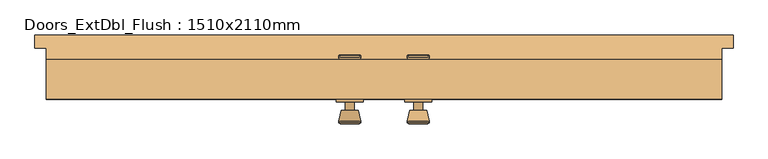
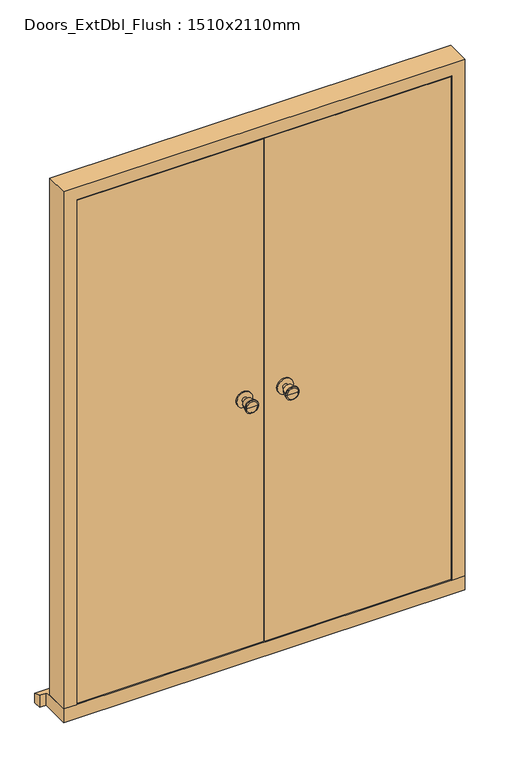
"""IFC4 building model written with IfcOpenShell, lengths in millimetres: door geometry, Doors_ExtDbl_Flush : 1510x2110mm."""

from ifc_helpers import new_model, si_unit, point, frame, frame_2d, origin, place, context, project, spatial, polyline, circle_curve, trimmed, segment, composite_curve, outline, extrude, faceted_brep, source, transform, mapped, element, save
from ifc_brep_helpers import plane_surface, cylinder_surface, revolved_surface, advanced_brep


def doors_extdbl_flush_1510x2110mm_e3ef85c1(model_context):
    return source(origin(), model_context, "Body", "SolidModel", [
        advanced_brep(
        [(-76.5, -22.5, 1050.0), (-66.5, -22.5, 1050.0), (-86.5, -22.5, 1050.0), (-96.9758676, -71.5, 1050.0), (-56.0241324, -71.5, 1050.0), (-76.5, -71.5, 1050.0), (-101.5, -69.6721319, 1050.0), (-51.5, -69.6721319, 1050.0), (-101.5, -66.2084537, 1050.0), (-51.5, -66.2084537, 1050.0), (-95.136236, -41.5, 1050.0), (-57.863764, -41.5, 1050.0), (-86.5, -41.5, 1050.0), (-66.5, -41.5, 1050.0)],
        [
            (0, 1),
            (1, 2, circle_curve(frame((-76.5, -22.5, 1050.0), z_axis=(0.0, 1.0, 0.0), x_axis=(1.0, 0.0, 0.0)), 10.0)),
            (2, 0),
            (2, 1, circle_curve(frame((-76.5, -22.5, 1050.0), z_axis=(0.0, 1.0, 0.0), x_axis=(1.0, 0.0, 0.0)), 10.0)),
            (3, 4, circle_curve(frame((-76.5, -71.5, 1050.0), z_axis=(0.0, -1.0, 0.0), x_axis=(1.0, 0.0, 0.0)), 20.4758676)),
            (4, 5),
            (5, 3),
            (4, 3, circle_curve(frame((-76.5, -71.5, 1050.0), z_axis=(0.0, -1.0, 0.0), x_axis=(1.0, 0.0, 0.0)), 20.4758676)),
            (6, 7, circle_curve(frame((-76.5, -69.6721319, 1050.0), z_axis=(0.0, -1.0, 0.0), x_axis=(1.0, 0.0, 0.0)), 25.0)),
            (7, 4),
            (3, 6),
            (7, 6, circle_curve(frame((-76.5, -69.6721319, 1050.0), z_axis=(0.0, -1.0, 0.0), x_axis=(1.0, 0.0, 0.0)), 25.0)),
            (8, 9, circle_curve(frame((-76.5, -66.2084537, 1050.0), z_axis=(0.0, -1.0, 0.0), x_axis=(1.0, 0.0, 0.0)), 25.0)),
            (9, 7),
            (6, 8),
            (9, 8, circle_curve(frame((-76.5, -66.2084537, 1050.0), z_axis=(0.0, -1.0, 0.0), x_axis=(1.0, 0.0, 0.0)), 25.0)),
            (10, 11, circle_curve(frame((-76.5, -41.5, 1050.0), z_axis=(0.0, -1.0, 0.0), x_axis=(1.0, 0.0, 0.0)), 18.636236)),
            (11, 9),
            (8, 10),
            (11, 10, circle_curve(frame((-76.5, -41.5, 1050.0), z_axis=(0.0, -1.0, 0.0), x_axis=(1.0, 0.0, 0.0)), 18.636236)),
            (12, 13, circle_curve(frame((-76.5, -41.5, 1050.0), z_axis=(0.0, -1.0, 0.0), x_axis=(1.0, 0.0, 0.0)), 10.0)),
            (13, 11),
            (10, 12),
            (13, 12, circle_curve(frame((-76.5, -41.5, 1050.0), z_axis=(0.0, -1.0, 0.0), x_axis=(1.0, 0.0, 0.0)), 10.0)),
            (1, 13),
            (12, 2),
        ],
        [
            plane_surface(frame((-76.5, -22.5, 1050.0), z_axis=(0.0, 1.0, 0.0), x_axis=(1.0, 0.0, 0.0))),
            plane_surface(frame((-76.5, -71.5, 1050.0), z_axis=(0.0, -1.0, 0.0), x_axis=(1.0, 0.0, 0.0))),
            revolved_surface(polyline([(-56.0241324, -71.5, 1050.0), (-51.5, -69.6721319, 1050.0)]), (-76.5, -22.5, 1050.0), (0.0, 1.0, 0.0)),
            cylinder_surface(frame((-76.5, -22.5, 1050.0), z_axis=(0.0, 1.0, 0.0), x_axis=(1.0, 0.0, 0.0)), 25.0),
            revolved_surface(polyline([(-51.5, -66.2084537, 1050.0), (-57.863764, -41.5, 1050.0)]), (-76.5, -22.5, 1050.0), (0.0, 1.0, 0.0)),
            plane_surface(frame((-76.5, -41.5, 1050.0), z_axis=(0.0, 1.0, 0.0), x_axis=(1.0, 0.0, 0.0))),
            cylinder_surface(frame((-76.5, -22.5, 1050.0), z_axis=(0.0, 1.0, 0.0), x_axis=(1.0, 0.0, 0.0)), 10.0),
        ],
        [
            (0, [[1, 2, 3]]),
            (0, [[-3, 4, -1]]),
            (1, [[5, 6, 7]]),
            (1, [[8, -7, -6]]),
            (2, [[9, 10, -5, 11]]),
            (2, [[12, -11, -8, -10]]),
            (3, [[13, 14, -9, 15]]),
            (3, [[16, -15, -12, -14]]),
            (4, [[17, 18, -13, 19]]),
            (4, [[20, -19, -16, -18]]),
            (5, [[21, 22, -17, 23]]),
            (5, [[24, -23, -20, -22]]),
            (6, [[-2, 25, -21, 26]]),
            (6, [[-4, -26, -24, -25]]),
        ],
    ),
        extrude(outline(composite_curve([segment(trimmed(circle_curve(frame_2d((1050.0, -76.5)), 30.0), [point((1050.0, -46.5))], [point((1050.0, -106.5))], False, "CARTESIAN"), True, "CONTINUOUS"), segment(trimmed(circle_curve(frame_2d((1050.0, -76.5)), 30.0), [point((1050.0, -106.5))], [point((1050.0, -46.5))], False, "CARTESIAN"), True, "CONTINUOUS")], self_intersect=False)), frame((0.0, -22.5, 0.0), z_axis=(0.0, 1.0, 0.0), x_axis=(0.0, 0.0, 1.0)), (0.0, 0.0, 1.0), 6.0),
        advanced_brep(
        [(-76.5, 33.5, 1050.0), (-86.5, 33.5, 1050.0), (-66.5, 33.5, 1050.0), (-96.9758676, 82.5, 1050.0), (-76.5, 82.5, 1050.0), (-56.0241324, 82.5, 1050.0), (-101.5, 80.6721319, 1050.0), (-51.5, 80.6721319, 1050.0), (-101.5, 77.2084537, 1050.0), (-51.5, 77.2084537, 1050.0), (-95.136236, 52.5, 1050.0), (-57.863764, 52.5, 1050.0), (-86.5, 52.5, 1050.0), (-66.5, 52.5, 1050.0)],
        [
            (0, 1),
            (1, 2, circle_curve(frame((-76.5, 33.5, 1050.0), z_axis=(0.0, -1.0, 0.0), x_axis=(1.0, 0.0, 0.0)), 10.0)),
            (2, 0),
            (2, 1, circle_curve(frame((-76.5, 33.5, 1050.0), z_axis=(0.0, -1.0, 0.0), x_axis=(1.0, 0.0, 0.0)), 10.0)),
            (3, 4),
            (4, 5),
            (5, 3, circle_curve(frame((-76.5, 82.5, 1050.0), z_axis=(0.0, 1.0, 0.0), x_axis=(1.0, 0.0, 0.0)), 20.4758676)),
            (3, 5, circle_curve(frame((-76.5, 82.5, 1050.0), z_axis=(0.0, 1.0, 0.0), x_axis=(1.0, 0.0, 0.0)), 20.4758676)),
            (6, 3),
            (5, 7),
            (7, 6, circle_curve(frame((-76.5, 80.6721319, 1050.0), z_axis=(0.0, 1.0, 0.0), x_axis=(1.0, 0.0, 0.0)), 25.0)),
            (6, 7, circle_curve(frame((-76.5, 80.6721319, 1050.0), z_axis=(0.0, 1.0, 0.0), x_axis=(1.0, 0.0, 0.0)), 25.0)),
            (8, 6),
            (7, 9),
            (9, 8, circle_curve(frame((-76.5, 77.2084537, 1050.0), z_axis=(0.0, 1.0, 0.0), x_axis=(1.0, 0.0, 0.0)), 25.0)),
            (8, 9, circle_curve(frame((-76.5, 77.2084537, 1050.0), z_axis=(0.0, 1.0, 0.0), x_axis=(1.0, 0.0, 0.0)), 25.0)),
            (10, 8),
            (9, 11),
            (11, 10, circle_curve(frame((-76.5, 52.5, 1050.0), z_axis=(0.0, 1.0, 0.0), x_axis=(1.0, 0.0, 0.0)), 18.636236)),
            (10, 11, circle_curve(frame((-76.5, 52.5, 1050.0), z_axis=(0.0, 1.0, 0.0), x_axis=(1.0, 0.0, 0.0)), 18.636236)),
            (12, 10),
            (11, 13),
            (13, 12, circle_curve(frame((-76.5, 52.5, 1050.0), z_axis=(0.0, 1.0, 0.0), x_axis=(1.0, 0.0, 0.0)), 10.0)),
            (12, 13, circle_curve(frame((-76.5, 52.5, 1050.0), z_axis=(0.0, 1.0, 0.0), x_axis=(1.0, 0.0, 0.0)), 10.0)),
            (1, 12),
            (13, 2),
        ],
        [
            plane_surface(frame((-76.5, 33.5, 1050.0), z_axis=(0.0, -1.0, 0.0), x_axis=(1.0, 0.0, 0.0))),
            plane_surface(frame((-76.5, 82.5, 1050.0), z_axis=(0.0, 1.0, 0.0), x_axis=(1.0, 0.0, 0.0))),
            revolved_surface(polyline([(-56.0241324, 82.5, 1050.0), (-51.5, 80.6721319, 1050.0)]), (-76.5, 33.5, 1050.0), (0.0, -1.0, 0.0)),
            cylinder_surface(frame((-76.5, 33.5, 1050.0), z_axis=(0.0, -1.0, 0.0), x_axis=(1.0, 0.0, 0.0)), 25.0),
            revolved_surface(polyline([(-51.5, 77.2084537, 1050.0), (-57.863764, 52.5, 1050.0)]), (-76.5, 33.5, 1050.0), (0.0, -1.0, 0.0)),
            plane_surface(frame((-76.5, 52.5, 1050.0), z_axis=(0.0, -1.0, 0.0), x_axis=(1.0, 0.0, 0.0))),
            cylinder_surface(frame((-76.5, 33.5, 1050.0), z_axis=(0.0, -1.0, 0.0), x_axis=(1.0, 0.0, 0.0)), 10.0),
        ],
        [
            (0, [[1, 2, 3]]),
            (0, [[-3, 4, -1]]),
            (1, [[5, 6, 7]]),
            (1, [[-6, -5, 8]]),
            (2, [[9, -7, 10, 11]]),
            (2, [[-10, -8, -9, 12]]),
            (3, [[13, -11, 14, 15]]),
            (3, [[-14, -12, -13, 16]]),
            (4, [[17, -15, 18, 19]]),
            (4, [[-18, -16, -17, 20]]),
            (5, [[21, -19, 22, 23]]),
            (5, [[-22, -20, -21, 24]]),
            (6, [[25, -23, 26, -2]]),
            (6, [[-26, -24, -25, -4]]),
        ],
    ),
        extrude(outline(composite_curve([segment(trimmed(circle_curve(frame_2d((1050.0, -76.5)), 30.0), [point((1050.0, -46.5))], [point((1050.0, -106.5))], False, "CARTESIAN"), True, "CONTINUOUS"), segment(trimmed(circle_curve(frame_2d((1050.0, -76.5)), 30.0), [point((1050.0, -106.5))], [point((1050.0, -46.5))], False, "CARTESIAN"), True, "CONTINUOUS")], self_intersect=False)), frame((0.0, 27.5, 0.0), z_axis=(0.0, 1.0, 0.0), x_axis=(0.0, 0.0, 1.0)), (0.0, 0.0, 1.0), 6.0),
        advanced_brep(
        [(76.5, -22.5, 1050.0), (86.5, -22.5, 1050.0), (66.5, -22.5, 1050.0), (96.9758676, -71.5, 1050.0), (76.5, -71.5, 1050.0), (56.0241324, -71.5, 1050.0), (101.5, -69.6721319, 1050.0), (51.5, -69.6721319, 1050.0), (101.5, -66.2084537, 1050.0), (51.5, -66.2084537, 1050.0), (95.136236, -41.5, 1050.0), (57.863764, -41.5, 1050.0), (86.5, -41.5, 1050.0), (66.5, -41.5, 1050.0)],
        [
            (0, 1),
            (1, 2, circle_curve(frame((76.5, -22.5, 1050.0), z_axis=(0.0, 1.0, 0.0), x_axis=(-1.0, 0.0, 0.0)), 10.0)),
            (2, 0),
            (2, 1, circle_curve(frame((76.5, -22.5, 1050.0), z_axis=(0.0, 1.0, 0.0), x_axis=(-1.0, 0.0, 0.0)), 10.0)),
            (3, 4),
            (4, 5),
            (5, 3, circle_curve(frame((76.5, -71.5, 1050.0), z_axis=(0.0, -1.0, 0.0), x_axis=(-1.0, 0.0, 0.0)), 20.4758676)),
            (3, 5, circle_curve(frame((76.5, -71.5, 1050.0), z_axis=(0.0, -1.0, 0.0), x_axis=(-1.0, 0.0, 0.0)), 20.4758676)),
            (6, 3),
            (5, 7),
            (7, 6, circle_curve(frame((76.5, -69.6721319, 1050.0), z_axis=(0.0, -1.0, 0.0), x_axis=(-1.0, 0.0, 0.0)), 25.0)),
            (6, 7, circle_curve(frame((76.5, -69.6721319, 1050.0), z_axis=(0.0, -1.0, 0.0), x_axis=(-1.0, 0.0, 0.0)), 25.0)),
            (8, 6),
            (7, 9),
            (9, 8, circle_curve(frame((76.5, -66.2084537, 1050.0), z_axis=(0.0, -1.0, 0.0), x_axis=(-1.0, 0.0, 0.0)), 25.0)),
            (8, 9, circle_curve(frame((76.5, -66.2084537, 1050.0), z_axis=(0.0, -1.0, 0.0), x_axis=(-1.0, 0.0, 0.0)), 25.0)),
            (10, 8),
            (9, 11),
            (11, 10, circle_curve(frame((76.5, -41.5, 1050.0), z_axis=(0.0, -1.0, 0.0), x_axis=(-1.0, 0.0, 0.0)), 18.636236)),
            (10, 11, circle_curve(frame((76.5, -41.5, 1050.0), z_axis=(0.0, -1.0, 0.0), x_axis=(-1.0, 0.0, 0.0)), 18.636236)),
            (12, 10),
            (11, 13),
            (13, 12, circle_curve(frame((76.5, -41.5, 1050.0), z_axis=(0.0, -1.0, 0.0), x_axis=(-1.0, 0.0, 0.0)), 10.0)),
            (12, 13, circle_curve(frame((76.5, -41.5, 1050.0), z_axis=(0.0, -1.0, 0.0), x_axis=(-1.0, 0.0, 0.0)), 10.0)),
            (1, 12),
            (13, 2),
        ],
        [
            plane_surface(frame((76.5, -22.5, 1050.0), z_axis=(0.0, 1.0, 0.0), x_axis=(-1.0, 0.0, 0.0))),
            plane_surface(frame((76.5, -71.5, 1050.0), z_axis=(0.0, -1.0, 0.0), x_axis=(-1.0, 0.0, 0.0))),
            revolved_surface(polyline([(56.0241324, -71.5, 1050.0), (51.5, -69.6721319, 1050.0)]), (76.5, -22.5, 1050.0), (0.0, 1.0, 0.0)),
            cylinder_surface(frame((76.5, -22.5, 1050.0), z_axis=(0.0, 1.0, 0.0), x_axis=(-1.0, 0.0, 0.0)), 25.0),
            revolved_surface(polyline([(51.5, -66.2084537, 1050.0), (57.863764, -41.5, 1050.0)]), (76.5, -22.5, 1050.0), (0.0, 1.0, 0.0)),
            plane_surface(frame((76.5, -41.5, 1050.0), z_axis=(0.0, 1.0, 0.0), x_axis=(-1.0, 0.0, 0.0))),
            cylinder_surface(frame((76.5, -22.5, 1050.0), z_axis=(0.0, 1.0, 0.0), x_axis=(-1.0, 0.0, 0.0)), 10.0),
        ],
        [
            (0, [[1, 2, 3]]),
            (0, [[-3, 4, -1]]),
            (1, [[5, 6, 7]]),
            (1, [[-6, -5, 8]]),
            (2, [[9, -7, 10, 11]]),
            (2, [[-10, -8, -9, 12]]),
            (3, [[13, -11, 14, 15]]),
            (3, [[-14, -12, -13, 16]]),
            (4, [[17, -15, 18, 19]]),
            (4, [[-18, -16, -17, 20]]),
            (5, [[21, -19, 22, 23]]),
            (5, [[-22, -20, -21, 24]]),
            (6, [[25, -23, 26, -2]]),
            (6, [[-26, -24, -25, -4]]),
        ],
    ),
        extrude(outline(composite_curve([segment(trimmed(circle_curve(frame_2d((1050.0, 76.5)), 30.0), [point((1050.0, 46.5))], [point((1050.0, 106.5))], False, "CARTESIAN"), True, "CONTINUOUS"), segment(trimmed(circle_curve(frame_2d((1050.0, 76.5)), 30.0), [point((1050.0, 106.5))], [point((1050.0, 46.5))], False, "CARTESIAN"), True, "CONTINUOUS")], self_intersect=False)), frame((0.0, -22.5, 0.0), z_axis=(0.0, 1.0, 0.0), x_axis=(0.0, 0.0, 1.0)), (0.0, 0.0, 1.0), 6.0),
        advanced_brep(
        [(76.5, 33.5, 1050.0), (66.5, 33.5, 1050.0), (86.5, 33.5, 1050.0), (96.9758676, 82.5, 1050.0), (56.0241324, 82.5, 1050.0), (76.5, 82.5, 1050.0), (101.5, 80.6721319, 1050.0), (51.5, 80.6721319, 1050.0), (101.5, 77.2084537, 1050.0), (51.5, 77.2084537, 1050.0), (95.136236, 52.5, 1050.0), (57.863764, 52.5, 1050.0), (86.5, 52.5, 1050.0), (66.5, 52.5, 1050.0)],
        [
            (0, 1),
            (1, 2, circle_curve(frame((76.5, 33.5, 1050.0), z_axis=(0.0, -1.0, 0.0), x_axis=(-1.0, 0.0, 0.0)), 10.0)),
            (2, 0),
            (2, 1, circle_curve(frame((76.5, 33.5, 1050.0), z_axis=(0.0, -1.0, 0.0), x_axis=(-1.0, 0.0, 0.0)), 10.0)),
            (3, 4, circle_curve(frame((76.5, 82.5, 1050.0), z_axis=(0.0, 1.0, 0.0), x_axis=(-1.0, 0.0, 0.0)), 20.4758676)),
            (4, 5),
            (5, 3),
            (4, 3, circle_curve(frame((76.5, 82.5, 1050.0), z_axis=(0.0, 1.0, 0.0), x_axis=(-1.0, 0.0, 0.0)), 20.4758676)),
            (6, 7, circle_curve(frame((76.5, 80.6721319, 1050.0), z_axis=(0.0, 1.0, 0.0), x_axis=(-1.0, 0.0, 0.0)), 25.0)),
            (7, 4),
            (3, 6),
            (7, 6, circle_curve(frame((76.5, 80.6721319, 1050.0), z_axis=(0.0, 1.0, 0.0), x_axis=(-1.0, 0.0, 0.0)), 25.0)),
            (8, 9, circle_curve(frame((76.5, 77.2084537, 1050.0), z_axis=(0.0, 1.0, 0.0), x_axis=(-1.0, 0.0, 0.0)), 25.0)),
            (9, 7),
            (6, 8),
            (9, 8, circle_curve(frame((76.5, 77.2084537, 1050.0), z_axis=(0.0, 1.0, 0.0), x_axis=(-1.0, 0.0, 0.0)), 25.0)),
            (10, 11, circle_curve(frame((76.5, 52.5, 1050.0), z_axis=(0.0, 1.0, 0.0), x_axis=(-1.0, 0.0, 0.0)), 18.636236)),
            (11, 9),
            (8, 10),
            (11, 10, circle_curve(frame((76.5, 52.5, 1050.0), z_axis=(0.0, 1.0, 0.0), x_axis=(-1.0, 0.0, 0.0)), 18.636236)),
            (12, 13, circle_curve(frame((76.5, 52.5, 1050.0), z_axis=(0.0, 1.0, 0.0), x_axis=(-1.0, 0.0, 0.0)), 10.0)),
            (13, 11),
            (10, 12),
            (13, 12, circle_curve(frame((76.5, 52.5, 1050.0), z_axis=(0.0, 1.0, 0.0), x_axis=(-1.0, 0.0, 0.0)), 10.0)),
            (1, 13),
            (12, 2),
        ],
        [
            plane_surface(frame((76.5, 33.5, 1050.0), z_axis=(0.0, -1.0, 0.0), x_axis=(-1.0, 0.0, 0.0))),
            plane_surface(frame((76.5, 82.5, 1050.0), z_axis=(0.0, 1.0, 0.0), x_axis=(-1.0, 0.0, 0.0))),
            revolved_surface(polyline([(56.0241324, 82.5, 1050.0), (51.5, 80.6721319, 1050.0)]), (76.5, 33.5, 1050.0), (0.0, -1.0, 0.0)),
            cylinder_surface(frame((76.5, 33.5, 1050.0), z_axis=(0.0, -1.0, 0.0), x_axis=(-1.0, 0.0, 0.0)), 25.0),
            revolved_surface(polyline([(51.5, 77.2084537, 1050.0), (57.863764, 52.5, 1050.0)]), (76.5, 33.5, 1050.0), (0.0, -1.0, 0.0)),
            plane_surface(frame((76.5, 52.5, 1050.0), z_axis=(0.0, -1.0, 0.0), x_axis=(-1.0, 0.0, 0.0))),
            cylinder_surface(frame((76.5, 33.5, 1050.0), z_axis=(0.0, -1.0, 0.0), x_axis=(-1.0, 0.0, 0.0)), 10.0),
        ],
        [
            (0, [[1, 2, 3]]),
            (0, [[-3, 4, -1]]),
            (1, [[5, 6, 7]]),
            (1, [[8, -7, -6]]),
            (2, [[9, 10, -5, 11]]),
            (2, [[12, -11, -8, -10]]),
            (3, [[13, 14, -9, 15]]),
            (3, [[16, -15, -12, -14]]),
            (4, [[17, 18, -13, 19]]),
            (4, [[20, -19, -16, -18]]),
            (5, [[21, 22, -17, 23]]),
            (5, [[24, -23, -20, -22]]),
            (6, [[-2, 25, -21, 26]]),
            (6, [[-4, -26, -24, -25]]),
        ],
    ),
        extrude(outline(composite_curve([segment(trimmed(circle_curve(frame_2d((1050.0, 76.5)), 30.0), [point((1050.0, 46.5))], [point((1050.0, 106.5))], False, "CARTESIAN"), True, "CONTINUOUS"), segment(trimmed(circle_curve(frame_2d((1050.0, 76.5)), 30.0), [point((1050.0, 106.5))], [point((1050.0, 46.5))], False, "CARTESIAN"), True, "CONTINUOUS")], self_intersect=False)), frame((0.0, 27.5, 0.0), z_axis=(0.0, 1.0, 0.0), x_axis=(0.0, 0.0, 1.0)), (0.0, 0.0, 1.0), 6.0),
        faceted_brep([(684.5, 72.5, 54.5), (755.0, 72.5, 54.5), (755.0, -16.5, 54.5), (706.5, -16.5, 54.5), (706.5, 30.5, 54.5), (684.5, 30.5, 54.5), (684.5, 72.5, 2039.5), (-684.5, 72.5, 2039.5), (-684.5, 72.5, 54.5), (-755.0, 72.5, 54.5), (-755.0, 72.5, 2110.0), (755.0, 72.5, 2110.0), (755.0, -16.5, 2110.0), (-755.0, -16.5, 2110.0), (-755.0, -16.5, 54.5), (-706.5, -16.5, 54.5), (-706.5, -16.5, 2061.5), (706.5, -16.5, 2061.5), (706.5, 30.5, 2061.5), (-706.5, 30.5, 2061.5), (-706.5, 30.5, 54.5), (-684.5, 30.5, 54.5), (-684.5, 30.5, 2039.5), (684.5, 30.5, 2039.5)], [[[0, 1, 2, 3, 4, 5]], [[1, 0, 6, 7, 8, 9, 10, 11]], [[2, 1, 11, 12]], [[3, 2, 12, 13, 14, 15, 16, 17]], [[4, 3, 17, 18]], [[5, 4, 18, 19, 20, 21, 22, 23]], [[0, 5, 23, 6]], [[12, 11, 10, 13]], [[18, 17, 16, 19]], [[6, 23, 22, 7]], [[8, 21, 20, 15, 14, 9]], [[13, 10, 9, 14]], [[19, 16, 15, 20]], [[7, 22, 21, 8]]]),
        faceted_brep([(780.0, 127.5, 0.0), (780.0, 127.5, 38.5947221), (780.0, 97.5, 47.2703282), (780.0, 97.5, 0.0), (-780.0, 127.5, 38.5947221), (-780.0, 127.5, 0.0), (-780.0, 97.5, 0.0), (-780.0, 97.5, 47.2703282), (755.0, 97.5, 0.0), (755.0, -16.5, 0.0), (-755.0, -16.5, 0.0), (-755.0, 97.5, 0.0), (-755.0, 97.5, 47.2703282), (-755.0, 72.5, 54.5), (755.0, 72.5, 54.5), (755.0, 97.5, 47.2703282), (-755.0, -16.5, 54.5), (755.0, -16.5, 54.5)], [[[0, 1, 2, 3]], [[4, 5, 6, 7]], [[5, 0, 3, 8, 9, 10, 11, 6]], [[1, 0, 5, 4]], [[1, 4, 7, 12, 13, 14, 15, 2]], [[13, 16, 17, 14]], [[16, 10, 9, 17]], [[12, 11, 10, 16, 13]], [[11, 12, 7, 6]], [[8, 15, 14, 17, 9]], [[15, 8, 3, 2]]]),
        extrude(outline(polyline([(703.5, -16.5), (1.5, -16.5), (1.5, 27.5), (703.5, 27.5), (703.5, -16.5)])), frame((0.0, 0.0, 58.5), z_axis=(0.0, 0.0, 1.0), x_axis=(1.0, 0.0, 0.0)), (0.0, 0.0, 1.0), 2000.0),
        extrude(outline(polyline([(-1.5, -16.5), (-703.5, -16.5), (-703.5, 27.5), (-1.5, 27.5), (-1.5, -16.5)])), frame((0.0, 0.0, 58.5), z_axis=(0.0, 0.0, 1.0), x_axis=(1.0, 0.0, 0.0)), (0.0, 0.0, 1.0), 2000.0),
    ])


if __name__ == "__main__":
    model = new_model("IFC4")
    model_context = context("Model", 3, world=origin())
    ifc_project = project(units=[si_unit("LENGTHUNIT", "METRE", prefix="MILLI")], contexts=[model_context])
    site = spatial("IfcSite", under=ifc_project)
    building = spatial("IfcBuilding", under=site)
    placement = place(None, origin())
    doors_extdbl_flush_1510x2110mm_shape = doors_extdbl_flush_1510x2110mm_e3ef85c1(model_context)
    element("IfcDoor", 1, ObjectType="Doors_ExtDbl_Flush : 1510x2110mm", at=placement, inside=building, context=model_context, shape_type="MappedRepresentation", body=[
        mapped(doors_extdbl_flush_1510x2110mm_shape, transform((0.0, 0.0, 0.0), x_axis=(1.0, 0.0, 0.0), y_axis=(0.0, 1.0, 0.0), z_axis=(0.0, 0.0, 1.0))),
    ])
    save(model, "model.ifc")
